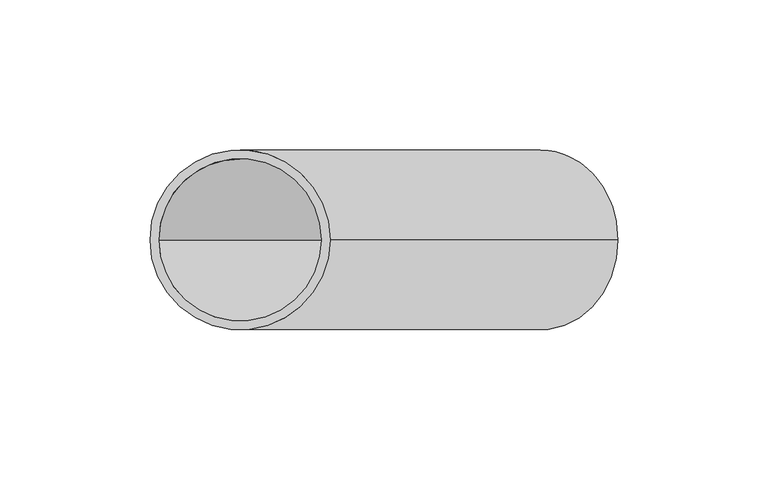
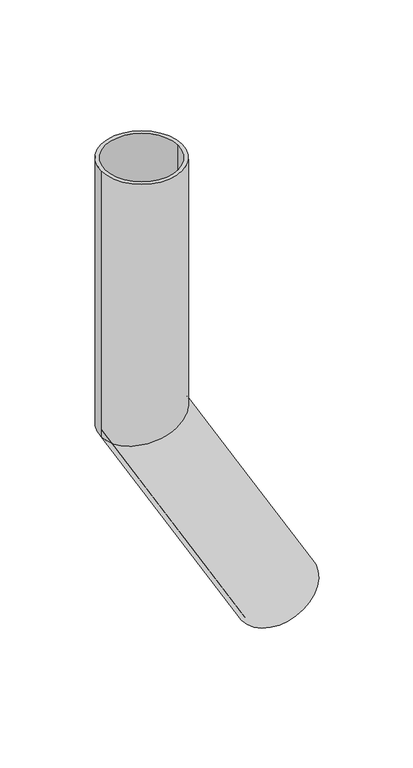
"""IFC4 building model written with IfcOpenShell, lengths in millimetres: beam geometry."""

from ifc_helpers import new_model, si_unit, frame, origin, place, context, project, spatial, polyline, circle_curve, ellipse_curve, source, transform, mapped, element, save
from ifc_brep_helpers import plane_surface, cylinder_surface, revolved_surface, advanced_brep


def beam_e469b369(model_context):
    return source(origin(), model_context, "Body", "AdvancedBrep", [
        advanced_brep(
        [(125.9807621, 0.0, -358.2050808), (74.0192379, 0.0, -388.2050808), (123.3826859, 0.0, -359.7050808), (76.6173141, 0.0, -386.7050808), (30.0, 0.0, 0.0), (-30.0, 0.0, 0.0), (27.0, 0.0, 0.0), (-27.0, 0.0, 0.0), (27.0, 0.0, -192.7653718), (0.0, -27.0, -200.0), (-27.0, 0.0, -207.2346282), (0.0, 27.0, -200.0), (30.0, 0.0, -191.9615242), (-30.0, 0.0, -208.0384758)],
        [
            (0, 1, circle_curve(frame((100.0, 0.0, -373.2050808), z_axis=(0.5000000000000633, 0.0, -0.8660254037844022), x_axis=(-0.8660254037844022, 0.0, -0.5000000000000633)), 30.0)),
            (1, 0, circle_curve(frame((100.0, 0.0, -373.2050808), z_axis=(0.5000000000000633, 0.0, -0.8660254037844022), x_axis=(-0.8660254037844022, 0.0, -0.5000000000000633)), 30.0)),
            (2, 3, circle_curve(frame((100.0, 0.0, -373.2050808), z_axis=(-0.5000000000000633, 0.0, 0.8660254037844022), x_axis=(-0.8660254037844022, 0.0, -0.5000000000000633)), 27.0)),
            (3, 2, circle_curve(frame((100.0, 0.0, -373.2050808), z_axis=(-0.5000000000000633, 0.0, 0.8660254037844022), x_axis=(-0.8660254037844022, 0.0, -0.5000000000000633)), 27.0)),
            (4, 5, circle_curve(frame((0.0, 0.0, 0.0), z_axis=(0.0, 0.0, 1.0), x_axis=(-1.0, 0.0, 0.0)), 30.0)),
            (5, 4, circle_curve(frame((0.0, 0.0, 0.0), z_axis=(0.0, 0.0, 1.0), x_axis=(-1.0, 0.0, 0.0)), 30.0)),
            (6, 7, circle_curve(frame((0.0, 0.0, 0.0), z_axis=(0.0, 0.0, -1.0), x_axis=(-1.0, 0.0, 0.0)), 27.0)),
            (7, 6, circle_curve(frame((0.0, 0.0, 0.0), z_axis=(0.0, 0.0, -1.0), x_axis=(-1.0, 0.0, 0.0)), 27.0)),
            (6, 8),
            (8, 9, ellipse_curve(frame((0.0, 0.0, -200.0), z_axis=(0.25881904510255604, 0.0, -0.9659258262890589), x_axis=(0.9659258262890589, 0.0, 0.25881904510255593)), 27.9524569, 27.0)),
            (9, 10, ellipse_curve(frame((0.0, 0.0, -200.0), z_axis=(0.25881904510255604, 0.0, -0.9659258262890589), x_axis=(0.9659258262890589, 0.0, 0.25881904510255593)), 27.9524569, 27.0)),
            (10, 7),
            (10, 11, ellipse_curve(frame((0.0, 0.0, -200.0), z_axis=(0.25881904510255604, 0.0, -0.9659258262890589), x_axis=(0.9659258262890589, 0.0, 0.25881904510255593)), 27.9524569, 27.0)),
            (11, 8, ellipse_curve(frame((0.0, 0.0, -200.0), z_axis=(0.25881904510255604, 0.0, -0.9659258262890589), x_axis=(0.9659258262890589, 0.0, 0.25881904510255593)), 27.9524569, 27.0)),
            (4, 12),
            (12, 13, ellipse_curve(frame((0.0, 0.0, -200.0), z_axis=(-0.25881904510255604, 0.0, 0.9659258262890589), x_axis=(-0.9659258262890589, 0.0, -0.25881904510255593)), 31.0582854, 30.0)),
            (13, 5),
            (13, 12, ellipse_curve(frame((0.0, 0.0, -200.0), z_axis=(-0.25881904510255604, 0.0, 0.9659258262890589), x_axis=(-0.9659258262890589, 0.0, -0.25881904510255593)), 31.0582854, 30.0)),
            (2, 8),
            (10, 3),
            (0, 12),
            (13, 1),
        ],
        [
            plane_surface(frame((100.0, 0.0, -373.2050808), z_axis=(0.5000000000000633, 0.0, -0.8660254037844022), x_axis=(0.0, -1.0, 0.0))),
            plane_surface(frame((0.0, 0.0, 0.0), z_axis=(0.0, 0.0, 1.0), x_axis=(0.0, -1.0, 0.0))),
            revolved_surface(polyline([(-27.0, 0.0, 0.0), (-27.0, 0.0, -207.23462820312835)]), (0.0, 0.0, -200.0), (0.0, 0.0, 1.0)),
            cylinder_surface(frame((0.0, 0.0, -200.0), z_axis=(0.0, 0.0, -1.0), x_axis=(-1.0, 0.0, 0.0)), 30.0),
            revolved_surface(polyline([(-27.00000002242433, 0.0, -207.23462819994282), (76.61731409836511, 0.0, -386.7050808009439)]), (100.0, 0.0, -373.2050808), (-0.5000000000000633, 0.0, 0.8660254037844022)),
            cylinder_surface(frame((100.0, 0.0, -373.2050808), z_axis=(0.5000000000000633, 0.0, -0.8660254037844022), x_axis=(-0.8660254037844022, 0.0, -0.5000000000000633)), 30.0),
        ],
        [
            (0, [[1, 2], [3, 4]]),
            (1, [[5, 6], [7, 8]]),
            (2, [[-7, 9, 10, 11, 12]]),
            (2, [[-8, -12, 13, 14, -9]]),
            (3, [[-5, 15, 16, 17]]),
            (3, [[-6, -17, 18, -15]]),
            (4, [[-3, 19, -14, -13, 20]]),
            (4, [[-4, -20, -11, -10, -19]]),
            (5, [[-1, 21, -18, 22]]),
            (5, [[-2, -22, -16, -21]]),
        ],
    ),
    ])


if __name__ == "__main__":
    model = new_model("IFC4")
    model_context = context("Model", 3, world=origin())
    ifc_project = project(units=[si_unit("LENGTHUNIT", "METRE", prefix="MILLI")], contexts=[model_context])
    site = spatial("IfcSite", under=ifc_project)
    building = spatial("IfcBuilding", under=site)
    placement = place(None, origin())
    beam_shape = beam_e469b369(model_context)
    element("IfcBeam", 1, at=placement, inside=building, context=model_context, shape_type="MappedRepresentation", body=[
        mapped(beam_shape, transform((0.0, 0.0, 0.0), x_axis=(1.0, 0.0, 0.0), y_axis=(0.0, 1.0, 0.0), z_axis=(0.0, 0.0, 1.0))),
    ])
    save(model, "model.ifc")
